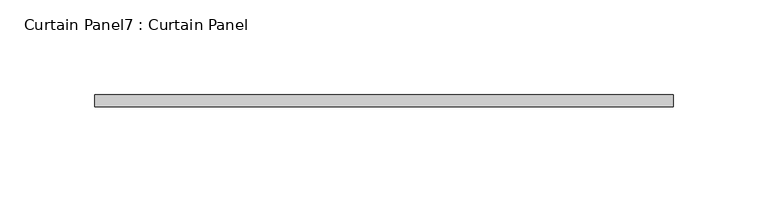
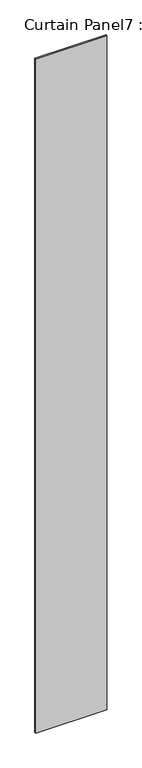
"""IFC4 building model written with IfcOpenShell, lengths in millimetres: plate geometry, Curtain Panel7 : Curtain Panel."""

from ifc_helpers import new_model, si_unit, origin, origin_with_axes, place, context, project, spatial, polyline, outline, extrude, source, transform, mapped, element, save


def curtain_panel7_curtain_panel_8fde6665(model_context):
    return source(origin(), model_context, "Body", "SweptSolid", [
        extrude(outline(polyline([(-75159.3941471, 2306.9334207), (-74854.5941471, 2306.9334207), (-74854.5941471, 2300.5834207), (-75159.3941471, 2300.5834207), (-75159.3941471, 2306.9334207)])), origin_with_axes(), (0.0, 0.0, 1.0), 3048.0),
    ])


if __name__ == "__main__":
    model = new_model("IFC4")
    model_context = context("Model", 3, world=origin())
    ifc_project = project(units=[si_unit("LENGTHUNIT", "METRE", prefix="MILLI")], contexts=[model_context])
    site = spatial("IfcSite", under=ifc_project)
    building = spatial("IfcBuilding", under=site)
    placement = place(None, origin())
    curtain_panel7_curtain_panel_shape = curtain_panel7_curtain_panel_8fde6665(model_context)
    element("IfcPlate", 1, ObjectType="Curtain Panel7 : Curtain Panel", at=placement, inside=building, context=model_context, shape_type="MappedRepresentation", body=[
        mapped(curtain_panel7_curtain_panel_shape, transform((0.0, 0.0, 0.0), x_axis=(1.0, 0.0, 0.0), y_axis=(0.0, 1.0, 0.0), z_axis=(0.0, 0.0, 1.0))),
    ])
    save(model, "model.ifc")
